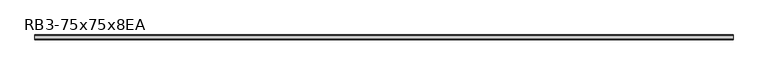
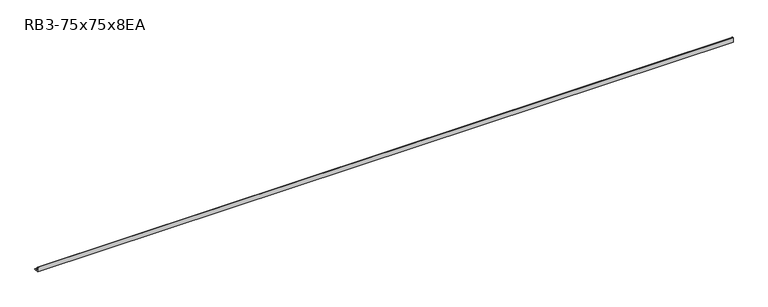
"""IFC4 building model written with IfcOpenShell, lengths in millimetres: member geometry, RB3-75x75x8EA."""

import ifcopenshell
import ifcopenshell.guid

model = None  # the IFC model being written
_history = None  # IfcOwnerHistory: only IFC2X3 demands one
_inside = {}  # id of a spatial element -> (the spatial element, [elements in it])
_under = {}  # id of a project, library or spatial element -> (it, [spatial elements below it])
_declared = {}  # id of a project -> (the project, [libraries it declares])
_typed = {}  # id of a type object -> (the type object, [elements of that type])
_made_of = {}  # id of a material, layer set ... -> (it, [elements and type objects made of it])


def new_model(schema):
    """Start an empty IFC model of exactly this schema.

    Asked for "IFC4X3", IfcOpenShell would pick the latest addendum, in which some entities
    have other attributes; the version numbers below select the first issue.
    IFC2X3 requires an IfcOwnerHistory on every rooted entity: one is made here for all.
    """
    global model, _history
    if schema == "IFC4X3":
        model = ifcopenshell.file(schema_version=(4, 3, 0, 0))
    else:
        model = ifcopenshell.file(schema=schema)
    _inside.clear()
    _under.clear()
    _declared.clear()
    _typed.clear()
    _made_of.clear()
    _history = None
    if model.schema == "IFC2X3":
        org = make("IfcOrganization", Name="unknown")
        user = make(
            "IfcPersonAndOrganization",
            ThePerson=make("IfcPerson", FamilyName="unknown"),
            TheOrganization=org,
        )
        app = make(
            "IfcApplication",
            ApplicationDeveloper=org,
            Version="unknown",
            ApplicationFullName="unknown",
            ApplicationIdentifier="unknown",
        )
        _history = make(
            "IfcOwnerHistory",
            OwningUser=user,
            OwningApplication=app,
            ChangeAction="ADDED",
            CreationDate=0,
        )
    return model


def make(cls, **values):
    """One entity of the class cls with the attributes given. An attribute that is None is left unset."""
    return model.create_entity(
        cls, **{name: value for name, value in values.items() if value is not None}
    )


def rooted(cls, **values):
    """An entity with a GlobalId (a new one), such as an element, a storey or a relation."""
    return make(cls, GlobalId=ifcopenshell.guid.new(), OwnerHistory=_history, **values)


def si_unit(unit_type, name, prefix=None):
    """IfcSIUnit, for example si_unit("LENGTHUNIT", "METRE", prefix="MILLI")."""
    return make("IfcSIUnit", UnitType=unit_type, Prefix=prefix, Name=name)


def assignment(units):
    """IfcUnitAssignment: the units of a project."""
    return None if units is None else make("IfcUnitAssignment", Units=units)


def point(xyz):
    """IfcCartesianPoint."""
    return None if xyz is None else make("IfcCartesianPoint", Coordinates=xyz)


def direction(xyz):
    """IfcDirection."""
    return None if xyz is None else make("IfcDirection", DirectionRatios=xyz)


def frame(location, z_axis=None, x_axis=None):
    """IfcAxis2Placement3D, a coordinate frame: its origin and axes. An axis left out is left unset."""
    return make(
        "IfcAxis2Placement3D",
        Location=point(location),
        Axis=direction(z_axis),
        RefDirection=direction(x_axis),
    )


def frame_2d(location, x_axis=None):
    """IfcAxis2Placement2D, a coordinate frame in the plane: its origin and x axis."""
    return make(
        "IfcAxis2Placement2D", Location=point(location), RefDirection=direction(x_axis)
    )


def origin():
    """The frame at (0, 0, 0) with its axes left unset."""
    return frame((0.0, 0.0, 0.0))


def place(relative_to, where):
    """IfcLocalPlacement: puts the frame where relative to a parent placement (None: the world)."""
    return make(
        "IfcLocalPlacement", PlacementRelTo=relative_to, RelativePlacement=where
    )


def context(
    kind, dimensions, precision=None, world=None, true_north=None, identifier=None
):
    """IfcGeometricRepresentationContext, for example the 3D "Model" context."""
    return make(
        "IfcGeometricRepresentationContext",
        ContextIdentifier=identifier,
        ContextType=kind,
        CoordinateSpaceDimension=dimensions,
        Precision=precision,
        WorldCoordinateSystem=world,
        TrueNorth=true_north,
    )


def project(units=None, contexts=None):
    """IfcProject with its units and contexts."""
    return rooted(
        "IfcProject",
        Name="project",
        RepresentationContexts=contexts,
        UnitsInContext=assignment(units),
    )


def spatial(cls, under=None, at=None, **own):
    """A site, building, storey or space (cls), placed at a placement, below another one or the project."""
    s = rooted(cls, ObjectPlacement=at, **own)
    if under is not None:
        _under.setdefault(under.id(), (under, []))[1].append(s)
    return s


def polyline(points):
    """IfcPolyline through the points."""
    return make("IfcPolyline", Points=[point(p) for p in points])


def circle_curve(where, radius):
    """IfcCircle in the frame where."""
    return make("IfcCircle", Position=where, Radius=radius)


def trimmed(basis, trim1, trim2, sense, master):
    """IfcTrimmedCurve: the piece of a basis curve between two trims."""
    return make(
        "IfcTrimmedCurve",
        BasisCurve=basis,
        Trim1=trim1,
        Trim2=trim2,
        SenseAgreement=sense,
        MasterRepresentation=master,
    )


def segment(curve, same_sense, transition):
    """IfcCompositeCurveSegment."""
    return make(
        "IfcCompositeCurveSegment",
        Transition=transition,
        SameSense=same_sense,
        ParentCurve=curve,
    )


def composite_curve(segments, self_intersect=None):
    """IfcCompositeCurve: segments joined end to end."""
    return make("IfcCompositeCurve", Segments=segments, SelfIntersect=self_intersect)


def outline(outer, holes=None, kind="AREA"):
    """IfcArbitraryClosedProfileDef: a profile drawn as a closed curve; with holes, ...WithVoids."""
    if holes is None:
        return make("IfcArbitraryClosedProfileDef", ProfileType=kind, OuterCurve=outer)
    return make(
        "IfcArbitraryProfileDefWithVoids",
        ProfileType=kind,
        OuterCurve=outer,
        InnerCurves=holes,
    )


def extrude(swept, where, along, depth):
    """IfcExtrudedAreaSolid: the profile swept, set in the frame where, extruded along a direction by depth."""
    return make(
        "IfcExtrudedAreaSolid",
        SweptArea=swept,
        Position=where,
        ExtrudedDirection=direction(along),
        Depth=depth,
    )


def shape(context_of_items, identifier, shape_type, items):
    """IfcShapeRepresentation: the items that make up one representation, for example the "Body"."""
    return make(
        "IfcShapeRepresentation",
        ContextOfItems=context_of_items,
        RepresentationIdentifier=identifier,
        RepresentationType=shape_type,
        Items=items,
    )


def source(mapping_origin, context_of_items, identifier, shape_type, items):
    """IfcRepresentationMap: a shape defined once, which mapped items show again and again."""
    return make(
        "IfcRepresentationMap",
        MappingOrigin=mapping_origin,
        MappedRepresentation=shape(context_of_items, identifier, shape_type, items),
    )


def transform(
    local_origin,
    x_axis=None,
    y_axis=None,
    z_axis=None,
    scale=None,
    scale2=None,
    scale3=None,
    uniform=True,
):
    """IfcCartesianTransformationOperator3D, or its non-uniform kind. x_axis, y_axis, z_axis: its Axis1, 2, 3."""
    if uniform:
        return make(
            "IfcCartesianTransformationOperator3D",
            Axis1=direction(x_axis),
            Axis2=direction(y_axis),
            LocalOrigin=point(local_origin),
            Scale=scale,
            Axis3=direction(z_axis),
        )
    return make(
        "IfcCartesianTransformationOperator3DnonUniform",
        Axis1=direction(x_axis),
        Axis2=direction(y_axis),
        LocalOrigin=point(local_origin),
        Scale=scale,
        Axis3=direction(z_axis),
        Scale2=scale2,
        Scale3=scale3,
    )


def mapped(mapping_source, mapping_target):
    """IfcMappedItem: shows the shape of a source again, moved by a transform."""
    return make(
        "IfcMappedItem", MappingSource=mapping_source, MappingTarget=mapping_target
    )


def made_of(thing, what):
    """Note that an element or type object is made of a material, layer set ...; save() writes the relation."""
    if what is not None:
        _made_of.setdefault(what.id(), (what, []))[1].append(thing)
    return thing


def element(
    cls,
    number,
    at=None,
    inside=None,
    cuts=None,
    type_object=None,
    material=None,
    context=None,
    identifier="Body",
    shape_type=None,
    held_by="IfcProductDefinitionShape",
    body=None,
    shapes=None,
    **own,
):
    """One element of the class cls, such as IfcWall. Its Tag is "e" and its number.

    at: its placement. inside: the storey or other place that contains it. cuts: it is an
    opening in that element (IfcRelVoidsElement). A single representation is given by context,
    identifier, shape_type and body (its items); several are given by shapes. held_by: the class
    of the entity that holds the representations. save() writes the other relations.
    """
    e = rooted(cls, Tag="e%d" % number, ObjectPlacement=at, **own)
    if body is not None:
        shapes = [shape(context, identifier, shape_type, body)]
    if shapes is not None:
        e.Representation = make(held_by, Representations=shapes)
    if inside is not None:
        _inside.setdefault(inside.id(), (inside, []))[1].append(e)
    if cuts is not None:
        rooted(
            "IfcRelVoidsElement", RelatingBuildingElement=cuts, RelatedOpeningElement=e
        )
    if type_object is not None:
        _typed.setdefault(type_object.id(), (type_object, []))[1].append(e)
    return made_of(e, material)


def aggregate(whole, parts):
    """IfcRelAggregates: a whole, such as a stair, and the parts it consists of."""
    return rooted("IfcRelAggregates", RelatingObject=whole, RelatedObjects=parts)


def save(model, path):
    """Write the relations noted so far, then the file.

    IfcRelAggregates (storeys below a building ...), IfcRelContainedInSpatialStructure (elements
    in a storey), IfcRelDefinesByType, IfcRelAssociatesMaterial and IfcRelDeclares: one each for
    every whole, place, type object, material and project.
    """
    for whole, parts in _under.values():
        aggregate(whole, parts)
    for where, things in _inside.values():
        rooted(
            "IfcRelContainedInSpatialStructure",
            RelatedElements=things,
            RelatingStructure=where,
        )
    for kind, things in _typed.values():
        rooted("IfcRelDefinesByType", RelatedObjects=things, RelatingType=kind)
    for what, things in _made_of.values():
        rooted("IfcRelAssociatesMaterial", RelatedObjects=things, RelatingMaterial=what)
    for by, libraries in _declared.values():
        rooted("IfcRelDeclares", RelatingContext=by, RelatedDefinitions=libraries)
    model.write(path)


def rb3_75x75x8ea_1bc03f08(model_context):
    return source(origin(), model_context, "Body", "SweptSolid", [
        extrude(outline(composite_curve([segment(polyline([(-21.3, -21.3), (-21.3, 53.7), (-18.3, 53.7)]), True, "CONTINUOUS"), segment(trimmed(circle_curve(frame_2d((-18.3, 48.7)), 5.0), [point((-18.3, 53.7))], [point((-13.3, 48.7))], False, "CARTESIAN"), True, "CONTINUOUS"), segment(polyline([(-13.3, 48.7), (-13.3, -5.3)]), True, "CONTINUOUS"), segment(trimmed(circle_curve(frame_2d((-5.3, -5.3)), 8.0), [point((-13.3, -5.3))], [point((-5.3, -13.3))], True, "CARTESIAN"), True, "CONTINUOUS"), segment(polyline([(-5.3, -13.3), (48.7, -13.3)]), True, "CONTINUOUS"), segment(trimmed(circle_curve(frame_2d((48.7, -18.3)), 5.0), [point((48.7, -13.3))], [point((53.7, -18.3))], False, "CARTESIAN"), True, "CONTINUOUS"), segment(polyline([(53.7, -18.3), (53.7, -21.3), (-21.3, -21.3)]), True, "CONTINUOUS")], self_intersect=False)), frame((-5471.5, 0.0, 0.0), z_axis=(1.0, 0.0, 0.0), x_axis=(0.0, 1.0, 0.0)), (0.0, 0.0, 1.0), 10942.0),
    ])


if __name__ == "__main__":
    model = new_model("IFC4")
    model_context = context("Model", 3, world=origin())
    ifc_project = project(units=[si_unit("LENGTHUNIT", "METRE", prefix="MILLI")], contexts=[model_context])
    site = spatial("IfcSite", under=ifc_project)
    building = spatial("IfcBuilding", under=site)
    placement = place(None, origin())
    rb3_75x75x8ea_shape = rb3_75x75x8ea_1bc03f08(model_context)
    element("IfcMember", 1, ObjectType="RB3-75x75x8EA", at=placement, inside=building, context=model_context, shape_type="MappedRepresentation", body=[
        mapped(rb3_75x75x8ea_shape, transform((0.0, 0.0, 0.0), x_axis=(1.0, 0.0, 0.0), y_axis=(0.0, 1.0, 0.0), z_axis=(0.0, 0.0, 1.0))),
    ])
    save(model, "model.ifc")
